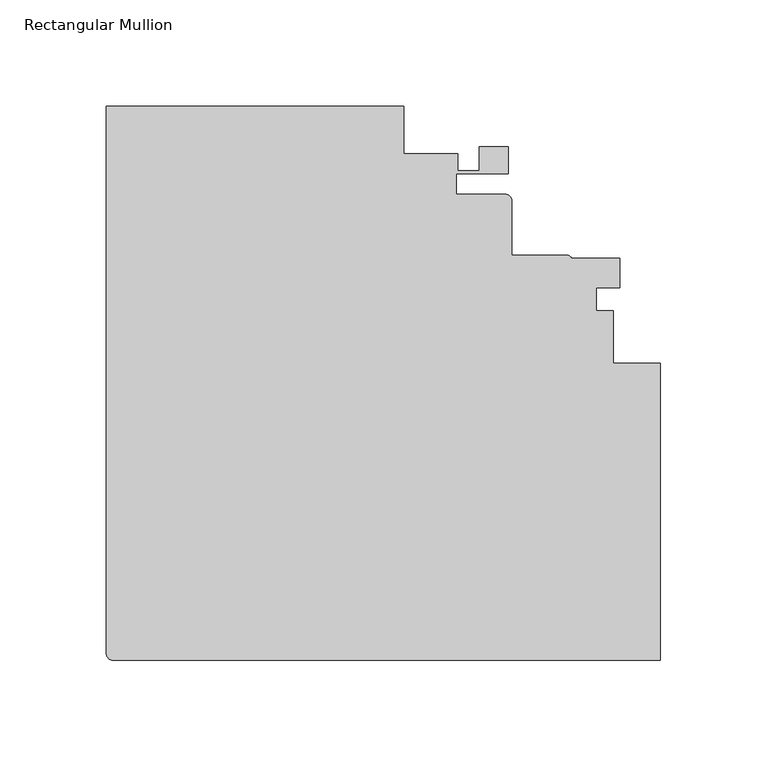
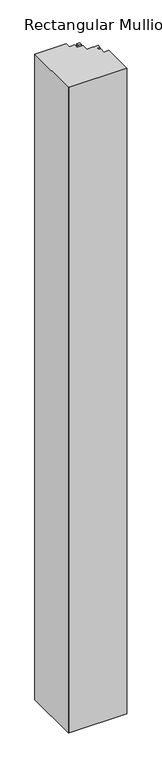
"""IFC4 building model written with IfcOpenShell, lengths in millimetres: member geometry, Rectangular Mullion."""

from ifc_helpers import new_model, si_unit, point, frame, frame_2d, origin, place, context, project, spatial, polyline, circle_curve, trimmed, segment, composite_curve, outline, extrude, source, transform, mapped, element, save


def rectangular_mullion_ebea8446(model_context):
    return source(origin(), model_context, "Body", "SweptSolid", [
        extrude(outline(composite_curve([segment(trimmed(circle_curve(frame_2d((-257.175, -93.2620204)), 3.175), [point((-257.175, -96.4370204))], [point((-260.35, -93.2620204))], False, "CARTESIAN"), True, "CONTINUOUS"), segment(polyline([(-260.35, -93.2620204), (-260.35, 163.9129796), (-120.6499944, 163.9129796), (-120.6499944, 141.6880928), (-95.2499944, 141.6880928), (-95.2499944, 133.7504796), (-85.217, 133.7504796), (-85.217, 144.8629796), (-71.4502, 144.8629796), (-71.4502, 132.1629796), (-96.0334845, 132.1629796), (-96.0334845, 122.6378663), (-73.025, 122.6378663)]), True, "CONTINUOUS"), segment(trimmed(circle_curve(frame_2d((-73.025, 119.4628663)), 3.175), [point((-73.025, 122.6378663))], [point((-69.85, 119.4628663))], False, "CARTESIAN"), True, "CONTINUOUS"), segment(polyline([(-69.85, 119.4628663), (-69.85, 94.0629796), (-44.4501132, 94.0629796)]), True, "CONTINUOUS"), segment(trimmed(circle_curve(frame_2d((-44.4501132, 90.8879796)), 3.175), [point((-44.4501132, 94.0629796))], [point((-41.6931892, 92.4627796))], False, "CARTESIAN"), True, "CONTINUOUS"), segment(polyline([(-41.6931892, 92.4627796), (-19.05, 92.4627796), (-19.05, 78.6959796), (-30.1625, 78.6959796), (-30.1625, 67.8766195), (-22.2248868, 67.8766195), (-22.2248868, 43.2629851), (0.0, 43.2629851), (0.0, -96.4370204), (-257.175, -96.4370204)]), True, "CONTINUOUS")], self_intersect=False)), frame((0.0, 0.0, -3048.0), z_axis=(0.0, 0.0, 1.0), x_axis=(1.0, 0.0, 0.0)), (0.0, 0.0, 1.0), 3048.0),
    ])


if __name__ == "__main__":
    model = new_model("IFC4")
    model_context = context("Model", 3, world=origin())
    ifc_project = project(units=[si_unit("LENGTHUNIT", "METRE", prefix="MILLI")], contexts=[model_context])
    site = spatial("IfcSite", under=ifc_project)
    building = spatial("IfcBuilding", under=site)
    placement = place(None, origin())
    rectangular_mullion_shape = rectangular_mullion_ebea8446(model_context)
    element("IfcMember", 1, ObjectType="Rectangular Mullion", at=placement, inside=building, context=model_context, shape_type="MappedRepresentation", body=[
        mapped(rectangular_mullion_shape, transform((0.0, 0.0, 0.0), x_axis=(1.0, 0.0, 0.0), y_axis=(0.0, 1.0, 0.0), z_axis=(0.0, 0.0, 1.0))),
    ])
    save(model, "model.ifc")
